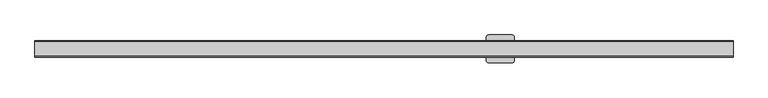
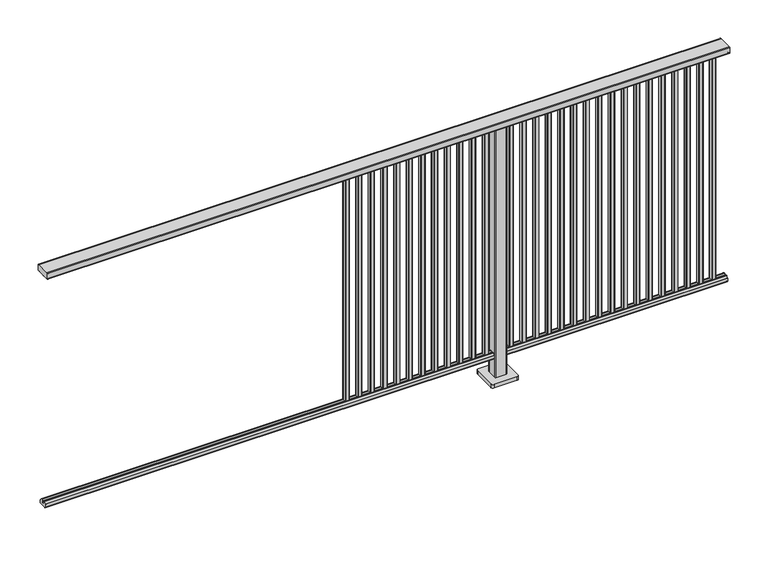
"""IFC4 building model written with IfcOpenShell, lengths in millimetres: railing geometry."""

from ifc_helpers import new_model, si_unit, point, frame, frame_2d, origin, origin_with_axes, place, context, project, spatial, polyline, circle_curve, trimmed, segment, composite_curve, outline, extrude, source, transform, mapped, element, save


def railing_90d70f90(model_context):
    return source(origin(), model_context, "Body", "SweptSolid", [
        extrude(outline(composite_curve([segment(trimmed(circle_curve(frame_2d((9717.8460333, 1197.0)), 3.0), [point((9717.8460333, 1200.0))], [point((9720.8460333, 1197.0))], False, "CARTESIAN"), True, "CONTINUOUS"), segment(polyline([(9720.8460333, 1197.0), (9720.8460333, 1174.8)]), True, "CONTINUOUS"), segment(trimmed(circle_curve(frame_2d((9717.8460333, 1174.8)), 3.0), [point((9720.8460333, 1174.8))], [point((9717.8460333, 1171.8))], False, "CARTESIAN"), True, "CONTINUOUS"), segment(polyline([(9717.8460333, 1171.8), (9712.9961193, 1171.8)]), True, "CONTINUOUS"), segment(trimmed(circle_curve(frame_2d((9712.9961193, 1172.7286632)), 0.9286632), [point((9712.9961193, 1171.8))], [point((9712.0960471, 1172.5000033))], False, "CARTESIAN"), True, "CONTINUOUS"), segment(trimmed(circle_curve(frame_2d((9711.5960471, 1172.5000003)), 0.5), [point((9712.0960471, 1172.5000033))], [point((9711.5960471, 1172.0000003))], False, "CARTESIAN"), True, "CONTINUOUS"), segment(polyline([(9711.5960471, 1172.0000003), (9694.5751393, 1172.0000003)]), True, "CONTINUOUS"), segment(trimmed(circle_curve(frame_2d((9685.8508208, 1188.8785723)), 18.999998), [point((9694.5751393, 1172.0000003))], [point((9677.1265024, 1172.0000003))], False, "CARTESIAN"), True, "CONTINUOUS"), segment(polyline([(9677.1265024, 1172.0000003), (9660.0960436, 1172.0000003)]), True, "CONTINUOUS"), segment(trimmed(circle_curve(frame_2d((9660.0960436, 1172.5000003)), 0.5), [point((9660.0960436, 1172.0000003))], [point((9659.5960436, 1172.5000033))], False, "CARTESIAN"), True, "CONTINUOUS"), segment(trimmed(circle_curve(frame_2d((9658.6961402, 1172.7284461)), 0.9284461), [point((9659.5960436, 1172.5000033))], [point((9658.6961402, 1171.8))], False, "CARTESIAN"), True, "CONTINUOUS"), segment(polyline([(9658.6961402, 1171.8), (9653.8460333, 1171.8)]), True, "CONTINUOUS"), segment(trimmed(circle_curve(frame_2d((9653.8460333, 1174.8)), 3.0), [point((9653.8460333, 1171.8))], [point((9650.8460333, 1174.8))], False, "CARTESIAN"), True, "CONTINUOUS"), segment(polyline([(9650.8460333, 1174.8), (9650.8460333, 1197.0)]), True, "CONTINUOUS"), segment(trimmed(circle_curve(frame_2d((9653.8460333, 1197.0)), 3.0), [point((9650.8460333, 1197.0))], [point((9653.8460333, 1200.0))], False, "CARTESIAN"), True, "CONTINUOUS"), segment(polyline([(9653.8460333, 1200.0), (9717.8460333, 1200.0)]), True, "CONTINUOUS")], self_intersect=False)), frame((3731.3946925, 0.0, 0.0), z_axis=(1.0, 0.0, 0.0), x_axis=(0.0, 1.0, 0.0)), (0.0, 0.0, 1.0), 3000.0),
        extrude(outline(composite_curve([segment(polyline([(9701.5508136, 100.0), (9670.1507946, 100.0)]), True, "CONTINUOUS"), segment(trimmed(circle_curve(frame_2d((9670.1507946, 101.8)), 1.8), [point((9670.1507946, 100.0))], [point((9668.3507946, 101.8))], False, "CARTESIAN"), True, "CONTINUOUS"), segment(polyline([(9668.3507946, 101.8), (9668.3507946, 115.5269955)]), True, "CONTINUOUS"), segment(trimmed(circle_curve(frame_2d((9670.1507946, 115.5269955)), 1.8), [point((9668.3507946, 115.5269955))], [point((9668.7923399, 116.7079277))], False, "CARTESIAN"), True, "CONTINUOUS"), segment(polyline([(9668.7923399, 116.7079277), (9675.4626384, 124.3809322)]), True, "CONTINUOUS"), segment(trimmed(circle_curve(frame_2d((9676.8210931, 123.2)), 1.8), [point((9675.4626384, 124.3809322))], [point((9676.8210931, 125.0))], False, "CARTESIAN"), True, "CONTINUOUS"), segment(polyline([(9676.8210931, 125.0), (9680.5111113, 125.0), (9681.809143, 113.0), (9689.8924411, 113.0), (9691.1904978, 125.0), (9694.88054, 125.0)]), True, "CONTINUOUS"), segment(trimmed(circle_curve(frame_2d((9694.88054, 123.2)), 1.8), [point((9694.88054, 125.0))], [point((9696.2389969, 124.3809297))], False, "CARTESIAN"), True, "CONTINUOUS"), segment(polyline([(9696.2389969, 124.3809297), (9702.9092704, 116.7079252)]), True, "CONTINUOUS"), segment(trimmed(circle_curve(frame_2d((9701.5508136, 115.5269955)), 1.8), [point((9702.9092704, 116.7079252))], [point((9703.3508136, 115.5269955))], False, "CARTESIAN"), True, "CONTINUOUS"), segment(polyline([(9703.3508136, 115.5269955), (9703.3508136, 101.8)]), True, "CONTINUOUS"), segment(trimmed(circle_curve(frame_2d((9701.5508136, 101.8)), 1.8), [point((9703.3508136, 101.8))], [point((9701.5508136, 100.0))], False, "CARTESIAN"), True, "CONTINUOUS")], self_intersect=False)), frame((3731.3946925, 0.0, 0.0), z_axis=(1.0, 0.0, 0.0), x_axis=(0.0, 1.0, 0.0)), (0.0, 0.0, 1.0), 3000.0),
        extrude(outline(composite_curve([segment(trimmed(circle_curve(frame_2d((6668.2391355, 9693.4508236)), 1.4), [point((6666.8391355, 9693.4508236))], [point((6668.2391355, 9694.8508236))], False, "CARTESIAN"), True, "CONTINUOUS"), segment(polyline([(6668.2391355, 9694.8508236), (6683.4391385, 9694.8508236)]), True, "CONTINUOUS"), segment(trimmed(circle_curve(frame_2d((6683.4391385, 9693.4508236)), 1.4), [point((6683.4391385, 9694.8508236))], [point((6684.8391385, 9693.4508236))], False, "CARTESIAN"), True, "CONTINUOUS"), segment(polyline([(6684.8391385, 9693.4508236), (6684.8391385, 9678.2507846)]), True, "CONTINUOUS"), segment(trimmed(circle_curve(frame_2d((6683.4391385, 9678.2507846)), 1.4), [point((6684.8391385, 9678.2507846))], [point((6683.4391385, 9676.8507846))], False, "CARTESIAN"), True, "CONTINUOUS"), segment(polyline([(6683.4391385, 9676.8507846), (6668.2391355, 9676.8507846)]), True, "CONTINUOUS"), segment(trimmed(circle_curve(frame_2d((6668.2391355, 9678.2507846)), 1.4), [point((6668.2391355, 9676.8507846))], [point((6666.8391355, 9678.2507846))], False, "CARTESIAN"), True, "CONTINUOUS"), segment(polyline([(6666.8391355, 9678.2507846), (6666.8391355, 9693.4508236)]), True, "CONTINUOUS")], self_intersect=False)), frame((0.0, 0.0, 125.0), z_axis=(0.0, 0.0, 1.0), x_axis=(1.0, 0.0, 0.0)), (0.0, 0.0, 1.0), 1044.8785743),
        extrude(outline(composite_curve([segment(trimmed(circle_curve(frame_2d((6612.6835799, 9693.4508236)), 1.4), [point((6611.2835799, 9693.4508236))], [point((6612.6835799, 9694.8508236))], False, "CARTESIAN"), True, "CONTINUOUS"), segment(polyline([(6612.6835799, 9694.8508236), (6627.8835829, 9694.8508236)]), True, "CONTINUOUS"), segment(trimmed(circle_curve(frame_2d((6627.8835829, 9693.4508236)), 1.4), [point((6627.8835829, 9694.8508236))], [point((6629.2835829, 9693.4508236))], False, "CARTESIAN"), True, "CONTINUOUS"), segment(polyline([(6629.2835829, 9693.4508236), (6629.2835829, 9678.2507846)]), True, "CONTINUOUS"), segment(trimmed(circle_curve(frame_2d((6627.8835829, 9678.2507846)), 1.4), [point((6629.2835829, 9678.2507846))], [point((6627.8835829, 9676.8507846))], False, "CARTESIAN"), True, "CONTINUOUS"), segment(polyline([(6627.8835829, 9676.8507846), (6612.6835799, 9676.8507846)]), True, "CONTINUOUS"), segment(trimmed(circle_curve(frame_2d((6612.6835799, 9678.2507846)), 1.4), [point((6612.6835799, 9676.8507846))], [point((6611.2835799, 9678.2507846))], False, "CARTESIAN"), True, "CONTINUOUS"), segment(polyline([(6611.2835799, 9678.2507846), (6611.2835799, 9693.4508236)]), True, "CONTINUOUS")], self_intersect=False)), frame((0.0, 0.0, 125.0), z_axis=(0.0, 0.0, 1.0), x_axis=(1.0, 0.0, 0.0)), (0.0, 0.0, 1.0), 1044.8785743),
        extrude(outline(composite_curve([segment(trimmed(circle_curve(frame_2d((6557.1280244, 9693.4508236)), 1.4), [point((6555.7280244, 9693.4508236))], [point((6557.1280244, 9694.8508236))], False, "CARTESIAN"), True, "CONTINUOUS"), segment(polyline([(6557.1280244, 9694.8508236), (6572.3280274, 9694.8508236)]), True, "CONTINUOUS"), segment(trimmed(circle_curve(frame_2d((6572.3280274, 9693.4508236)), 1.4), [point((6572.3280274, 9694.8508236))], [point((6573.7280274, 9693.4508236))], False, "CARTESIAN"), True, "CONTINUOUS"), segment(polyline([(6573.7280274, 9693.4508236), (6573.7280274, 9678.2507846)]), True, "CONTINUOUS"), segment(trimmed(circle_curve(frame_2d((6572.3280274, 9678.2507846)), 1.4), [point((6573.7280274, 9678.2507846))], [point((6572.3280274, 9676.8507846))], False, "CARTESIAN"), True, "CONTINUOUS"), segment(polyline([(6572.3280274, 9676.8507846), (6557.1280244, 9676.8507846)]), True, "CONTINUOUS"), segment(trimmed(circle_curve(frame_2d((6557.1280244, 9678.2507846)), 1.4), [point((6557.1280244, 9676.8507846))], [point((6555.7280244, 9678.2507846))], False, "CARTESIAN"), True, "CONTINUOUS"), segment(polyline([(6555.7280244, 9678.2507846), (6555.7280244, 9693.4508236)]), True, "CONTINUOUS")], self_intersect=False)), frame((0.0, 0.0, 125.0), z_axis=(0.0, 0.0, 1.0), x_axis=(1.0, 0.0, 0.0)), (0.0, 0.0, 1.0), 1044.8785743),
        extrude(outline(composite_curve([segment(trimmed(circle_curve(frame_2d((6501.5724688, 9693.4508236)), 1.4), [point((6500.1724688, 9693.4508236))], [point((6501.5724688, 9694.8508236))], False, "CARTESIAN"), True, "CONTINUOUS"), segment(polyline([(6501.5724688, 9694.8508236), (6516.7724718, 9694.8508236)]), True, "CONTINUOUS"), segment(trimmed(circle_curve(frame_2d((6516.7724718, 9693.4508236)), 1.4), [point((6516.7724718, 9694.8508236))], [point((6518.1724718, 9693.4508236))], False, "CARTESIAN"), True, "CONTINUOUS"), segment(polyline([(6518.1724718, 9693.4508236), (6518.1724718, 9678.2507846)]), True, "CONTINUOUS"), segment(trimmed(circle_curve(frame_2d((6516.7724718, 9678.2507846)), 1.4), [point((6518.1724718, 9678.2507846))], [point((6516.7724718, 9676.8507846))], False, "CARTESIAN"), True, "CONTINUOUS"), segment(polyline([(6516.7724718, 9676.8507846), (6501.5724688, 9676.8507846)]), True, "CONTINUOUS"), segment(trimmed(circle_curve(frame_2d((6501.5724688, 9678.2507846)), 1.4), [point((6501.5724688, 9676.8507846))], [point((6500.1724688, 9678.2507846))], False, "CARTESIAN"), True, "CONTINUOUS"), segment(polyline([(6500.1724688, 9678.2507846), (6500.1724688, 9693.4508236)]), True, "CONTINUOUS")], self_intersect=False)), frame((0.0, 0.0, 125.0), z_axis=(0.0, 0.0, 1.0), x_axis=(1.0, 0.0, 0.0)), (0.0, 0.0, 1.0), 1044.8785743),
        extrude(outline(composite_curve([segment(trimmed(circle_curve(frame_2d((6446.0169133, 9693.4508236)), 1.4), [point((6444.6169133, 9693.4508236))], [point((6446.0169133, 9694.8508236))], False, "CARTESIAN"), True, "CONTINUOUS"), segment(polyline([(6446.0169133, 9694.8508236), (6461.2169163, 9694.8508236)]), True, "CONTINUOUS"), segment(trimmed(circle_curve(frame_2d((6461.2169163, 9693.4508236)), 1.4), [point((6461.2169163, 9694.8508236))], [point((6462.6169163, 9693.4508236))], False, "CARTESIAN"), True, "CONTINUOUS"), segment(polyline([(6462.6169163, 9693.4508236), (6462.6169163, 9678.2507846)]), True, "CONTINUOUS"), segment(trimmed(circle_curve(frame_2d((6461.2169163, 9678.2507846)), 1.4), [point((6462.6169163, 9678.2507846))], [point((6461.2169163, 9676.8507846))], False, "CARTESIAN"), True, "CONTINUOUS"), segment(polyline([(6461.2169163, 9676.8507846), (6446.0169133, 9676.8507846)]), True, "CONTINUOUS"), segment(trimmed(circle_curve(frame_2d((6446.0169133, 9678.2507846)), 1.4), [point((6446.0169133, 9676.8507846))], [point((6444.6169133, 9678.2507846))], False, "CARTESIAN"), True, "CONTINUOUS"), segment(polyline([(6444.6169133, 9678.2507846), (6444.6169133, 9693.4508236)]), True, "CONTINUOUS")], self_intersect=False)), frame((0.0, 0.0, 125.0), z_axis=(0.0, 0.0, 1.0), x_axis=(1.0, 0.0, 0.0)), (0.0, 0.0, 1.0), 1044.8785743),
        extrude(outline(composite_curve([segment(trimmed(circle_curve(frame_2d((6390.4613577, 9693.4508236)), 1.4), [point((6389.0613577, 9693.4508236))], [point((6390.4613577, 9694.8508236))], False, "CARTESIAN"), True, "CONTINUOUS"), segment(polyline([(6390.4613577, 9694.8508236), (6405.6613607, 9694.8508236)]), True, "CONTINUOUS"), segment(trimmed(circle_curve(frame_2d((6405.6613607, 9693.4508236)), 1.4), [point((6405.6613607, 9694.8508236))], [point((6407.0613607, 9693.4508236))], False, "CARTESIAN"), True, "CONTINUOUS"), segment(polyline([(6407.0613607, 9693.4508236), (6407.0613607, 9678.2507846)]), True, "CONTINUOUS"), segment(trimmed(circle_curve(frame_2d((6405.6613607, 9678.2507846)), 1.4), [point((6407.0613607, 9678.2507846))], [point((6405.6613607, 9676.8507846))], False, "CARTESIAN"), True, "CONTINUOUS"), segment(polyline([(6405.6613607, 9676.8507846), (6390.4613577, 9676.8507846)]), True, "CONTINUOUS"), segment(trimmed(circle_curve(frame_2d((6390.4613577, 9678.2507846)), 1.4), [point((6390.4613577, 9676.8507846))], [point((6389.0613577, 9678.2507846))], False, "CARTESIAN"), True, "CONTINUOUS"), segment(polyline([(6389.0613577, 9678.2507846), (6389.0613577, 9693.4508236)]), True, "CONTINUOUS")], self_intersect=False)), frame((0.0, 0.0, 125.0), z_axis=(0.0, 0.0, 1.0), x_axis=(1.0, 0.0, 0.0)), (0.0, 0.0, 1.0), 1044.8785743),
        extrude(outline(composite_curve([segment(trimmed(circle_curve(frame_2d((6334.9058021, 9693.4508236)), 1.4), [point((6333.5058021, 9693.4508236))], [point((6334.9058021, 9694.8508236))], False, "CARTESIAN"), True, "CONTINUOUS"), segment(polyline([(6334.9058021, 9694.8508236), (6350.1058051, 9694.8508236)]), True, "CONTINUOUS"), segment(trimmed(circle_curve(frame_2d((6350.1058051, 9693.4508236)), 1.4), [point((6350.1058051, 9694.8508236))], [point((6351.5058051, 9693.4508236))], False, "CARTESIAN"), True, "CONTINUOUS"), segment(polyline([(6351.5058051, 9693.4508236), (6351.5058051, 9678.2507846)]), True, "CONTINUOUS"), segment(trimmed(circle_curve(frame_2d((6350.1058051, 9678.2507846)), 1.4), [point((6351.5058051, 9678.2507846))], [point((6350.1058051, 9676.8507846))], False, "CARTESIAN"), True, "CONTINUOUS"), segment(polyline([(6350.1058051, 9676.8507846), (6334.9058021, 9676.8507846)]), True, "CONTINUOUS"), segment(trimmed(circle_curve(frame_2d((6334.9058021, 9678.2507846)), 1.4), [point((6334.9058021, 9676.8507846))], [point((6333.5058021, 9678.2507846))], False, "CARTESIAN"), True, "CONTINUOUS"), segment(polyline([(6333.5058021, 9678.2507846), (6333.5058021, 9693.4508236)]), True, "CONTINUOUS")], self_intersect=False)), frame((0.0, 0.0, 125.0), z_axis=(0.0, 0.0, 1.0), x_axis=(1.0, 0.0, 0.0)), (0.0, 0.0, 1.0), 1044.8785743),
        extrude(outline(composite_curve([segment(trimmed(circle_curve(frame_2d((6279.3502466, 9693.4508236)), 1.4), [point((6277.9502466, 9693.4508236))], [point((6279.3502466, 9694.8508236))], False, "CARTESIAN"), True, "CONTINUOUS"), segment(polyline([(6279.3502466, 9694.8508236), (6294.5502496, 9694.8508236)]), True, "CONTINUOUS"), segment(trimmed(circle_curve(frame_2d((6294.5502496, 9693.4508236)), 1.4), [point((6294.5502496, 9694.8508236))], [point((6295.9502496, 9693.4508236))], False, "CARTESIAN"), True, "CONTINUOUS"), segment(polyline([(6295.9502496, 9693.4508236), (6295.9502496, 9678.2507846)]), True, "CONTINUOUS"), segment(trimmed(circle_curve(frame_2d((6294.5502496, 9678.2507846)), 1.4), [point((6295.9502496, 9678.2507846))], [point((6294.5502496, 9676.8507846))], False, "CARTESIAN"), True, "CONTINUOUS"), segment(polyline([(6294.5502496, 9676.8507846), (6279.3502466, 9676.8507846)]), True, "CONTINUOUS"), segment(trimmed(circle_curve(frame_2d((6279.3502466, 9678.2507846)), 1.4), [point((6279.3502466, 9676.8507846))], [point((6277.9502466, 9678.2507846))], False, "CARTESIAN"), True, "CONTINUOUS"), segment(polyline([(6277.9502466, 9678.2507846), (6277.9502466, 9693.4508236)]), True, "CONTINUOUS")], self_intersect=False)), frame((0.0, 0.0, 125.0), z_axis=(0.0, 0.0, 1.0), x_axis=(1.0, 0.0, 0.0)), (0.0, 0.0, 1.0), 1044.8785743),
        extrude(outline(composite_curve([segment(trimmed(circle_curve(frame_2d((6223.794691, 9693.4508236)), 1.4), [point((6222.394691, 9693.4508236))], [point((6223.794691, 9694.8508236))], False, "CARTESIAN"), True, "CONTINUOUS"), segment(polyline([(6223.794691, 9694.8508236), (6238.994694, 9694.8508236)]), True, "CONTINUOUS"), segment(trimmed(circle_curve(frame_2d((6238.994694, 9693.4508236)), 1.4), [point((6238.994694, 9694.8508236))], [point((6240.394694, 9693.4508236))], False, "CARTESIAN"), True, "CONTINUOUS"), segment(polyline([(6240.394694, 9693.4508236), (6240.394694, 9678.2507846)]), True, "CONTINUOUS"), segment(trimmed(circle_curve(frame_2d((6238.994694, 9678.2507846)), 1.4), [point((6240.394694, 9678.2507846))], [point((6238.994694, 9676.8507846))], False, "CARTESIAN"), True, "CONTINUOUS"), segment(polyline([(6238.994694, 9676.8507846), (6223.794691, 9676.8507846)]), True, "CONTINUOUS"), segment(trimmed(circle_curve(frame_2d((6223.794691, 9678.2507846)), 1.4), [point((6223.794691, 9676.8507846))], [point((6222.394691, 9678.2507846))], False, "CARTESIAN"), True, "CONTINUOUS"), segment(polyline([(6222.394691, 9678.2507846), (6222.394691, 9693.4508236)]), True, "CONTINUOUS")], self_intersect=False)), frame((0.0, 0.0, 125.0), z_axis=(0.0, 0.0, 1.0), x_axis=(1.0, 0.0, 0.0)), (0.0, 0.0, 1.0), 1044.8785743),
        extrude(outline(composite_curve([segment(trimmed(circle_curve(frame_2d((6168.2391355, 9693.4508236)), 1.4), [point((6166.8391355, 9693.4508236))], [point((6168.2391355, 9694.8508236))], False, "CARTESIAN"), True, "CONTINUOUS"), segment(polyline([(6168.2391355, 9694.8508236), (6183.4391385, 9694.8508236)]), True, "CONTINUOUS"), segment(trimmed(circle_curve(frame_2d((6183.4391385, 9693.4508236)), 1.4), [point((6183.4391385, 9694.8508236))], [point((6184.8391385, 9693.4508236))], False, "CARTESIAN"), True, "CONTINUOUS"), segment(polyline([(6184.8391385, 9693.4508236), (6184.8391385, 9678.2507846)]), True, "CONTINUOUS"), segment(trimmed(circle_curve(frame_2d((6183.4391385, 9678.2507846)), 1.4), [point((6184.8391385, 9678.2507846))], [point((6183.4391385, 9676.8507846))], False, "CARTESIAN"), True, "CONTINUOUS"), segment(polyline([(6183.4391385, 9676.8507846), (6168.2391355, 9676.8507846)]), True, "CONTINUOUS"), segment(trimmed(circle_curve(frame_2d((6168.2391355, 9678.2507846)), 1.4), [point((6168.2391355, 9676.8507846))], [point((6166.8391355, 9678.2507846))], False, "CARTESIAN"), True, "CONTINUOUS"), segment(polyline([(6166.8391355, 9678.2507846), (6166.8391355, 9693.4508236)]), True, "CONTINUOUS")], self_intersect=False)), frame((0.0, 0.0, 125.0), z_axis=(0.0, 0.0, 1.0), x_axis=(1.0, 0.0, 0.0)), (0.0, 0.0, 1.0), 1044.8785743),
        extrude(outline(composite_curve([segment(trimmed(circle_curve(frame_2d((6112.6835799, 9693.4508236)), 1.4), [point((6111.2835799, 9693.4508236))], [point((6112.6835799, 9694.8508236))], False, "CARTESIAN"), True, "CONTINUOUS"), segment(polyline([(6112.6835799, 9694.8508236), (6127.8835829, 9694.8508236)]), True, "CONTINUOUS"), segment(trimmed(circle_curve(frame_2d((6127.8835829, 9693.4508236)), 1.4), [point((6127.8835829, 9694.8508236))], [point((6129.2835829, 9693.4508236))], False, "CARTESIAN"), True, "CONTINUOUS"), segment(polyline([(6129.2835829, 9693.4508236), (6129.2835829, 9678.2507846)]), True, "CONTINUOUS"), segment(trimmed(circle_curve(frame_2d((6127.8835829, 9678.2507846)), 1.4), [point((6129.2835829, 9678.2507846))], [point((6127.8835829, 9676.8507846))], False, "CARTESIAN"), True, "CONTINUOUS"), segment(polyline([(6127.8835829, 9676.8507846), (6112.6835799, 9676.8507846)]), True, "CONTINUOUS"), segment(trimmed(circle_curve(frame_2d((6112.6835799, 9678.2507846)), 1.4), [point((6112.6835799, 9676.8507846))], [point((6111.2835799, 9678.2507846))], False, "CARTESIAN"), True, "CONTINUOUS"), segment(polyline([(6111.2835799, 9678.2507846), (6111.2835799, 9693.4508236)]), True, "CONTINUOUS")], self_intersect=False)), frame((0.0, 0.0, 125.0), z_axis=(0.0, 0.0, 1.0), x_axis=(1.0, 0.0, 0.0)), (0.0, 0.0, 1.0), 1044.8785743),
        extrude(outline(composite_curve([segment(trimmed(circle_curve(frame_2d((6057.1280244, 9693.4508236)), 1.4), [point((6055.7280244, 9693.4508236))], [point((6057.1280244, 9694.8508236))], False, "CARTESIAN"), True, "CONTINUOUS"), segment(polyline([(6057.1280244, 9694.8508236), (6072.3280274, 9694.8508236)]), True, "CONTINUOUS"), segment(trimmed(circle_curve(frame_2d((6072.3280274, 9693.4508236)), 1.4), [point((6072.3280274, 9694.8508236))], [point((6073.7280274, 9693.4508236))], False, "CARTESIAN"), True, "CONTINUOUS"), segment(polyline([(6073.7280274, 9693.4508236), (6073.7280274, 9678.2507846)]), True, "CONTINUOUS"), segment(trimmed(circle_curve(frame_2d((6072.3280274, 9678.2507846)), 1.4), [point((6073.7280274, 9678.2507846))], [point((6072.3280274, 9676.8507846))], False, "CARTESIAN"), True, "CONTINUOUS"), segment(polyline([(6072.3280274, 9676.8507846), (6057.1280244, 9676.8507846)]), True, "CONTINUOUS"), segment(trimmed(circle_curve(frame_2d((6057.1280244, 9678.2507846)), 1.4), [point((6057.1280244, 9676.8507846))], [point((6055.7280244, 9678.2507846))], False, "CARTESIAN"), True, "CONTINUOUS"), segment(polyline([(6055.7280244, 9678.2507846), (6055.7280244, 9693.4508236)]), True, "CONTINUOUS")], self_intersect=False)), frame((0.0, 0.0, 125.0), z_axis=(0.0, 0.0, 1.0), x_axis=(1.0, 0.0, 0.0)), (0.0, 0.0, 1.0), 1044.8785743),
        extrude(outline(composite_curve([segment(trimmed(circle_curve(frame_2d((6001.5724688, 9693.4508236)), 1.4), [point((6000.1724688, 9693.4508236))], [point((6001.5724688, 9694.8508236))], False, "CARTESIAN"), True, "CONTINUOUS"), segment(polyline([(6001.5724688, 9694.8508236), (6016.7724718, 9694.8508236)]), True, "CONTINUOUS"), segment(trimmed(circle_curve(frame_2d((6016.7724718, 9693.4508236)), 1.4), [point((6016.7724718, 9694.8508236))], [point((6018.1724718, 9693.4508236))], False, "CARTESIAN"), True, "CONTINUOUS"), segment(polyline([(6018.1724718, 9693.4508236), (6018.1724718, 9678.2507846)]), True, "CONTINUOUS"), segment(trimmed(circle_curve(frame_2d((6016.7724718, 9678.2507846)), 1.4), [point((6018.1724718, 9678.2507846))], [point((6016.7724718, 9676.8507846))], False, "CARTESIAN"), True, "CONTINUOUS"), segment(polyline([(6016.7724718, 9676.8507846), (6001.5724688, 9676.8507846)]), True, "CONTINUOUS"), segment(trimmed(circle_curve(frame_2d((6001.5724688, 9678.2507846)), 1.4), [point((6001.5724688, 9676.8507846))], [point((6000.1724688, 9678.2507846))], False, "CARTESIAN"), True, "CONTINUOUS"), segment(polyline([(6000.1724688, 9678.2507846), (6000.1724688, 9693.4508236)]), True, "CONTINUOUS")], self_intersect=False)), frame((0.0, 0.0, 125.0), z_axis=(0.0, 0.0, 1.0), x_axis=(1.0, 0.0, 0.0)), (0.0, 0.0, 1.0), 1044.8785743),
        extrude(outline(composite_curve([segment(trimmed(circle_curve(frame_2d((5946.0169133, 9693.4508236)), 1.4), [point((5944.6169133, 9693.4508236))], [point((5946.0169133, 9694.8508236))], False, "CARTESIAN"), True, "CONTINUOUS"), segment(polyline([(5946.0169133, 9694.8508236), (5961.2169163, 9694.8508236)]), True, "CONTINUOUS"), segment(trimmed(circle_curve(frame_2d((5961.2169163, 9693.4508236)), 1.4), [point((5961.2169163, 9694.8508236))], [point((5962.6169163, 9693.4508236))], False, "CARTESIAN"), True, "CONTINUOUS"), segment(polyline([(5962.6169163, 9693.4508236), (5962.6169163, 9678.2507846)]), True, "CONTINUOUS"), segment(trimmed(circle_curve(frame_2d((5961.2169163, 9678.2507846)), 1.4), [point((5962.6169163, 9678.2507846))], [point((5961.2169163, 9676.8507846))], False, "CARTESIAN"), True, "CONTINUOUS"), segment(polyline([(5961.2169163, 9676.8507846), (5946.0169133, 9676.8507846)]), True, "CONTINUOUS"), segment(trimmed(circle_curve(frame_2d((5946.0169133, 9678.2507846)), 1.4), [point((5946.0169133, 9676.8507846))], [point((5944.6169133, 9678.2507846))], False, "CARTESIAN"), True, "CONTINUOUS"), segment(polyline([(5944.6169133, 9678.2507846), (5944.6169133, 9693.4508236)]), True, "CONTINUOUS")], self_intersect=False)), frame((0.0, 0.0, 125.0), z_axis=(0.0, 0.0, 1.0), x_axis=(1.0, 0.0, 0.0)), (0.0, 0.0, 1.0), 1044.8785743),
        extrude(outline(composite_curve([segment(trimmed(circle_curve(frame_2d((5890.4613577, 9693.4508236)), 1.4), [point((5889.0613577, 9693.4508236))], [point((5890.4613577, 9694.8508236))], False, "CARTESIAN"), True, "CONTINUOUS"), segment(polyline([(5890.4613577, 9694.8508236), (5905.6613607, 9694.8508236)]), True, "CONTINUOUS"), segment(trimmed(circle_curve(frame_2d((5905.6613607, 9693.4508236)), 1.4), [point((5905.6613607, 9694.8508236))], [point((5907.0613607, 9693.4508236))], False, "CARTESIAN"), True, "CONTINUOUS"), segment(polyline([(5907.0613607, 9693.4508236), (5907.0613607, 9678.2507846)]), True, "CONTINUOUS"), segment(trimmed(circle_curve(frame_2d((5905.6613607, 9678.2507846)), 1.4), [point((5907.0613607, 9678.2507846))], [point((5905.6613607, 9676.8507846))], False, "CARTESIAN"), True, "CONTINUOUS"), segment(polyline([(5905.6613607, 9676.8507846), (5890.4613577, 9676.8507846)]), True, "CONTINUOUS"), segment(trimmed(circle_curve(frame_2d((5890.4613577, 9678.2507846)), 1.4), [point((5890.4613577, 9676.8507846))], [point((5889.0613577, 9678.2507846))], False, "CARTESIAN"), True, "CONTINUOUS"), segment(polyline([(5889.0613577, 9678.2507846), (5889.0613577, 9693.4508236)]), True, "CONTINUOUS")], self_intersect=False)), frame((0.0, 0.0, 125.0), z_axis=(0.0, 0.0, 1.0), x_axis=(1.0, 0.0, 0.0)), (0.0, 0.0, 1.0), 1044.8785743),
        extrude(outline(composite_curve([segment(trimmed(circle_curve(frame_2d((5834.9058021, 9693.4508236)), 1.4), [point((5833.5058021, 9693.4508236))], [point((5834.9058021, 9694.8508236))], False, "CARTESIAN"), True, "CONTINUOUS"), segment(polyline([(5834.9058021, 9694.8508236), (5850.1058051, 9694.8508236)]), True, "CONTINUOUS"), segment(trimmed(circle_curve(frame_2d((5850.1058051, 9693.4508236)), 1.4), [point((5850.1058051, 9694.8508236))], [point((5851.5058051, 9693.4508236))], False, "CARTESIAN"), True, "CONTINUOUS"), segment(polyline([(5851.5058051, 9693.4508236), (5851.5058051, 9678.2507846)]), True, "CONTINUOUS"), segment(trimmed(circle_curve(frame_2d((5850.1058051, 9678.2507846)), 1.4), [point((5851.5058051, 9678.2507846))], [point((5850.1058051, 9676.8507846))], False, "CARTESIAN"), True, "CONTINUOUS"), segment(polyline([(5850.1058051, 9676.8507846), (5834.9058021, 9676.8507846)]), True, "CONTINUOUS"), segment(trimmed(circle_curve(frame_2d((5834.9058021, 9678.2507846)), 1.4), [point((5834.9058021, 9676.8507846))], [point((5833.5058021, 9678.2507846))], False, "CARTESIAN"), True, "CONTINUOUS"), segment(polyline([(5833.5058021, 9678.2507846), (5833.5058021, 9693.4508236)]), True, "CONTINUOUS")], self_intersect=False)), frame((0.0, 0.0, 125.0), z_axis=(0.0, 0.0, 1.0), x_axis=(1.0, 0.0, 0.0)), (0.0, 0.0, 1.0), 1044.8785743),
        extrude(outline(composite_curve([segment(trimmed(circle_curve(frame_2d((5779.3502466, 9693.4508236)), 1.4), [point((5777.9502466, 9693.4508236))], [point((5779.3502466, 9694.8508236))], False, "CARTESIAN"), True, "CONTINUOUS"), segment(polyline([(5779.3502466, 9694.8508236), (5794.5502496, 9694.8508236)]), True, "CONTINUOUS"), segment(trimmed(circle_curve(frame_2d((5794.5502496, 9693.4508236)), 1.4), [point((5794.5502496, 9694.8508236))], [point((5795.9502496, 9693.4508236))], False, "CARTESIAN"), True, "CONTINUOUS"), segment(polyline([(5795.9502496, 9693.4508236), (5795.9502496, 9678.2507846)]), True, "CONTINUOUS"), segment(trimmed(circle_curve(frame_2d((5794.5502496, 9678.2507846)), 1.4), [point((5795.9502496, 9678.2507846))], [point((5794.5502496, 9676.8507846))], False, "CARTESIAN"), True, "CONTINUOUS"), segment(polyline([(5794.5502496, 9676.8507846), (5779.3502466, 9676.8507846)]), True, "CONTINUOUS"), segment(trimmed(circle_curve(frame_2d((5779.3502466, 9678.2507846)), 1.4), [point((5779.3502466, 9676.8507846))], [point((5777.9502466, 9678.2507846))], False, "CARTESIAN"), True, "CONTINUOUS"), segment(polyline([(5777.9502466, 9678.2507846), (5777.9502466, 9693.4508236)]), True, "CONTINUOUS")], self_intersect=False)), frame((0.0, 0.0, 125.0), z_axis=(0.0, 0.0, 1.0), x_axis=(1.0, 0.0, 0.0)), (0.0, 0.0, 1.0), 1044.8785743),
        extrude(outline(composite_curve([segment(trimmed(circle_curve(frame_2d((5708.994681, 9708.2508266)), 3.0), [point((5705.994681, 9708.2508266))], [point((5708.994681, 9711.2508266))], False, "CARTESIAN"), True, "CONTINUOUS"), segment(polyline([(5708.994681, 9711.2508266), (5753.794704, 9711.2508266)]), True, "CONTINUOUS"), segment(trimmed(circle_curve(frame_2d((5753.794704, 9708.2508266)), 3.0), [point((5753.794704, 9711.2508266))], [point((5756.794704, 9708.2508266))], False, "CARTESIAN"), True, "CONTINUOUS"), segment(polyline([(5756.794704, 9708.2508266), (5756.794704, 9663.4508036)]), True, "CONTINUOUS"), segment(trimmed(circle_curve(frame_2d((5753.794704, 9663.4508036)), 3.0), [point((5756.794704, 9663.4508036))], [point((5753.794704, 9660.4508036))], False, "CARTESIAN"), True, "CONTINUOUS"), segment(polyline([(5753.794704, 9660.4508036), (5708.994681, 9660.4508036)]), True, "CONTINUOUS"), segment(trimmed(circle_curve(frame_2d((5708.994681, 9663.4508036)), 3.0), [point((5708.994681, 9660.4508036))], [point((5705.994681, 9663.4508036))], False, "CARTESIAN"), True, "CONTINUOUS"), segment(polyline([(5705.994681, 9663.4508036), (5705.994681, 9708.2508266)]), True, "CONTINUOUS")], self_intersect=False)), frame((0.0, 0.0, 16.0), z_axis=(0.0, 0.0, 1.0), x_axis=(1.0, 0.0, 0.0)), (0.0, 0.0, 1.0), 1153.8785743),
        extrude(outline(composite_curve([segment(trimmed(circle_curve(frame_2d((5681.394681, 9735.8508151)), 10.0), [point((5671.394681, 9735.8508151))], [point((5681.394681, 9745.8508151))], False, "CARTESIAN"), True, "CONTINUOUS"), segment(polyline([(5681.394681, 9745.8508151), (5781.394681, 9745.8508151)]), True, "CONTINUOUS"), segment(trimmed(circle_curve(frame_2d((5781.394681, 9735.8508151)), 10.0), [point((5781.394681, 9745.8508151))], [point((5791.394681, 9735.8508151))], False, "CARTESIAN"), True, "CONTINUOUS"), segment(polyline([(5791.394681, 9735.8508151), (5791.394681, 9635.8508151)]), True, "CONTINUOUS"), segment(trimmed(circle_curve(frame_2d((5781.394681, 9635.8508151)), 10.0), [point((5791.394681, 9635.8508151))], [point((5781.394681, 9625.8508151))], False, "CARTESIAN"), True, "CONTINUOUS"), segment(polyline([(5781.394681, 9625.8508151), (5681.394681, 9625.8508151)]), True, "CONTINUOUS"), segment(trimmed(circle_curve(frame_2d((5681.394681, 9635.8508151)), 10.0), [point((5681.394681, 9625.8508151))], [point((5671.394681, 9635.8508151))], False, "CARTESIAN"), True, "CONTINUOUS"), segment(polyline([(5671.394681, 9635.8508151), (5671.394681, 9735.8508151)]), True, "CONTINUOUS")], self_intersect=False)), origin_with_axes(), (0.0, 0.0, 1.0), 16.0),
        extrude(outline(composite_curve([segment(trimmed(circle_curve(frame_2d((5668.2391355, 9693.4508236)), 1.4), [point((5666.8391355, 9693.4508236))], [point((5668.2391355, 9694.8508236))], False, "CARTESIAN"), True, "CONTINUOUS"), segment(polyline([(5668.2391355, 9694.8508236), (5683.4391385, 9694.8508236)]), True, "CONTINUOUS"), segment(trimmed(circle_curve(frame_2d((5683.4391385, 9693.4508236)), 1.4), [point((5683.4391385, 9694.8508236))], [point((5684.8391385, 9693.4508236))], False, "CARTESIAN"), True, "CONTINUOUS"), segment(polyline([(5684.8391385, 9693.4508236), (5684.8391385, 9678.2507846)]), True, "CONTINUOUS"), segment(trimmed(circle_curve(frame_2d((5683.4391385, 9678.2507846)), 1.4), [point((5684.8391385, 9678.2507846))], [point((5683.4391385, 9676.8507846))], False, "CARTESIAN"), True, "CONTINUOUS"), segment(polyline([(5683.4391385, 9676.8507846), (5668.2391355, 9676.8507846)]), True, "CONTINUOUS"), segment(trimmed(circle_curve(frame_2d((5668.2391355, 9678.2507846)), 1.4), [point((5668.2391355, 9676.8507846))], [point((5666.8391355, 9678.2507846))], False, "CARTESIAN"), True, "CONTINUOUS"), segment(polyline([(5666.8391355, 9678.2507846), (5666.8391355, 9693.4508236)]), True, "CONTINUOUS")], self_intersect=False)), frame((0.0, 0.0, 125.0), z_axis=(0.0, 0.0, 1.0), x_axis=(1.0, 0.0, 0.0)), (0.0, 0.0, 1.0), 1044.8785743),
        extrude(outline(composite_curve([segment(trimmed(circle_curve(frame_2d((5612.6835799, 9693.4508236)), 1.4), [point((5611.2835799, 9693.4508236))], [point((5612.6835799, 9694.8508236))], False, "CARTESIAN"), True, "CONTINUOUS"), segment(polyline([(5612.6835799, 9694.8508236), (5627.8835829, 9694.8508236)]), True, "CONTINUOUS"), segment(trimmed(circle_curve(frame_2d((5627.8835829, 9693.4508236)), 1.4), [point((5627.8835829, 9694.8508236))], [point((5629.2835829, 9693.4508236))], False, "CARTESIAN"), True, "CONTINUOUS"), segment(polyline([(5629.2835829, 9693.4508236), (5629.2835829, 9678.2507846)]), True, "CONTINUOUS"), segment(trimmed(circle_curve(frame_2d((5627.8835829, 9678.2507846)), 1.4), [point((5629.2835829, 9678.2507846))], [point((5627.8835829, 9676.8507846))], False, "CARTESIAN"), True, "CONTINUOUS"), segment(polyline([(5627.8835829, 9676.8507846), (5612.6835799, 9676.8507846)]), True, "CONTINUOUS"), segment(trimmed(circle_curve(frame_2d((5612.6835799, 9678.2507846)), 1.4), [point((5612.6835799, 9676.8507846))], [point((5611.2835799, 9678.2507846))], False, "CARTESIAN"), True, "CONTINUOUS"), segment(polyline([(5611.2835799, 9678.2507846), (5611.2835799, 9693.4508236)]), True, "CONTINUOUS")], self_intersect=False)), frame((0.0, 0.0, 125.0), z_axis=(0.0, 0.0, 1.0), x_axis=(1.0, 0.0, 0.0)), (0.0, 0.0, 1.0), 1044.8785743),
        extrude(outline(composite_curve([segment(trimmed(circle_curve(frame_2d((5557.1280244, 9693.4508236)), 1.4), [point((5555.7280244, 9693.4508236))], [point((5557.1280244, 9694.8508236))], False, "CARTESIAN"), True, "CONTINUOUS"), segment(polyline([(5557.1280244, 9694.8508236), (5572.3280274, 9694.8508236)]), True, "CONTINUOUS"), segment(trimmed(circle_curve(frame_2d((5572.3280274, 9693.4508236)), 1.4), [point((5572.3280274, 9694.8508236))], [point((5573.7280274, 9693.4508236))], False, "CARTESIAN"), True, "CONTINUOUS"), segment(polyline([(5573.7280274, 9693.4508236), (5573.7280274, 9678.2507846)]), True, "CONTINUOUS"), segment(trimmed(circle_curve(frame_2d((5572.3280274, 9678.2507846)), 1.4), [point((5573.7280274, 9678.2507846))], [point((5572.3280274, 9676.8507846))], False, "CARTESIAN"), True, "CONTINUOUS"), segment(polyline([(5572.3280274, 9676.8507846), (5557.1280244, 9676.8507846)]), True, "CONTINUOUS"), segment(trimmed(circle_curve(frame_2d((5557.1280244, 9678.2507846)), 1.4), [point((5557.1280244, 9676.8507846))], [point((5555.7280244, 9678.2507846))], False, "CARTESIAN"), True, "CONTINUOUS"), segment(polyline([(5555.7280244, 9678.2507846), (5555.7280244, 9693.4508236)]), True, "CONTINUOUS")], self_intersect=False)), frame((0.0, 0.0, 125.0), z_axis=(0.0, 0.0, 1.0), x_axis=(1.0, 0.0, 0.0)), (0.0, 0.0, 1.0), 1044.8785743),
        extrude(outline(composite_curve([segment(trimmed(circle_curve(frame_2d((5501.5724688, 9693.4508236)), 1.4), [point((5500.1724688, 9693.4508236))], [point((5501.5724688, 9694.8508236))], False, "CARTESIAN"), True, "CONTINUOUS"), segment(polyline([(5501.5724688, 9694.8508236), (5516.7724718, 9694.8508236)]), True, "CONTINUOUS"), segment(trimmed(circle_curve(frame_2d((5516.7724718, 9693.4508236)), 1.4), [point((5516.7724718, 9694.8508236))], [point((5518.1724718, 9693.4508236))], False, "CARTESIAN"), True, "CONTINUOUS"), segment(polyline([(5518.1724718, 9693.4508236), (5518.1724718, 9678.2507846)]), True, "CONTINUOUS"), segment(trimmed(circle_curve(frame_2d((5516.7724718, 9678.2507846)), 1.4), [point((5518.1724718, 9678.2507846))], [point((5516.7724718, 9676.8507846))], False, "CARTESIAN"), True, "CONTINUOUS"), segment(polyline([(5516.7724718, 9676.8507846), (5501.5724688, 9676.8507846)]), True, "CONTINUOUS"), segment(trimmed(circle_curve(frame_2d((5501.5724688, 9678.2507846)), 1.4), [point((5501.5724688, 9676.8507846))], [point((5500.1724688, 9678.2507846))], False, "CARTESIAN"), True, "CONTINUOUS"), segment(polyline([(5500.1724688, 9678.2507846), (5500.1724688, 9693.4508236)]), True, "CONTINUOUS")], self_intersect=False)), frame((0.0, 0.0, 125.0), z_axis=(0.0, 0.0, 1.0), x_axis=(1.0, 0.0, 0.0)), (0.0, 0.0, 1.0), 1044.8785743),
        extrude(outline(composite_curve([segment(trimmed(circle_curve(frame_2d((5446.0169133, 9693.4508236)), 1.4), [point((5444.6169133, 9693.4508236))], [point((5446.0169133, 9694.8508236))], False, "CARTESIAN"), True, "CONTINUOUS"), segment(polyline([(5446.0169133, 9694.8508236), (5461.2169163, 9694.8508236)]), True, "CONTINUOUS"), segment(trimmed(circle_curve(frame_2d((5461.2169163, 9693.4508236)), 1.4), [point((5461.2169163, 9694.8508236))], [point((5462.6169163, 9693.4508236))], False, "CARTESIAN"), True, "CONTINUOUS"), segment(polyline([(5462.6169163, 9693.4508236), (5462.6169163, 9678.2507846)]), True, "CONTINUOUS"), segment(trimmed(circle_curve(frame_2d((5461.2169163, 9678.2507846)), 1.4), [point((5462.6169163, 9678.2507846))], [point((5461.2169163, 9676.8507846))], False, "CARTESIAN"), True, "CONTINUOUS"), segment(polyline([(5461.2169163, 9676.8507846), (5446.0169133, 9676.8507846)]), True, "CONTINUOUS"), segment(trimmed(circle_curve(frame_2d((5446.0169133, 9678.2507846)), 1.4), [point((5446.0169133, 9676.8507846))], [point((5444.6169133, 9678.2507846))], False, "CARTESIAN"), True, "CONTINUOUS"), segment(polyline([(5444.6169133, 9678.2507846), (5444.6169133, 9693.4508236)]), True, "CONTINUOUS")], self_intersect=False)), frame((0.0, 0.0, 125.0), z_axis=(0.0, 0.0, 1.0), x_axis=(1.0, 0.0, 0.0)), (0.0, 0.0, 1.0), 1044.8785743),
        extrude(outline(composite_curve([segment(trimmed(circle_curve(frame_2d((5390.4613577, 9693.4508236)), 1.4), [point((5389.0613577, 9693.4508236))], [point((5390.4613577, 9694.8508236))], False, "CARTESIAN"), True, "CONTINUOUS"), segment(polyline([(5390.4613577, 9694.8508236), (5405.6613607, 9694.8508236)]), True, "CONTINUOUS"), segment(trimmed(circle_curve(frame_2d((5405.6613607, 9693.4508236)), 1.4), [point((5405.6613607, 9694.8508236))], [point((5407.0613607, 9693.4508236))], False, "CARTESIAN"), True, "CONTINUOUS"), segment(polyline([(5407.0613607, 9693.4508236), (5407.0613607, 9678.2507846)]), True, "CONTINUOUS"), segment(trimmed(circle_curve(frame_2d((5405.6613607, 9678.2507846)), 1.4), [point((5407.0613607, 9678.2507846))], [point((5405.6613607, 9676.8507846))], False, "CARTESIAN"), True, "CONTINUOUS"), segment(polyline([(5405.6613607, 9676.8507846), (5390.4613577, 9676.8507846)]), True, "CONTINUOUS"), segment(trimmed(circle_curve(frame_2d((5390.4613577, 9678.2507846)), 1.4), [point((5390.4613577, 9676.8507846))], [point((5389.0613577, 9678.2507846))], False, "CARTESIAN"), True, "CONTINUOUS"), segment(polyline([(5389.0613577, 9678.2507846), (5389.0613577, 9693.4508236)]), True, "CONTINUOUS")], self_intersect=False)), frame((0.0, 0.0, 125.0), z_axis=(0.0, 0.0, 1.0), x_axis=(1.0, 0.0, 0.0)), (0.0, 0.0, 1.0), 1044.8785743),
        extrude(outline(composite_curve([segment(trimmed(circle_curve(frame_2d((5334.9058021, 9693.4508236)), 1.4), [point((5333.5058021, 9693.4508236))], [point((5334.9058021, 9694.8508236))], False, "CARTESIAN"), True, "CONTINUOUS"), segment(polyline([(5334.9058021, 9694.8508236), (5350.1058051, 9694.8508236)]), True, "CONTINUOUS"), segment(trimmed(circle_curve(frame_2d((5350.1058051, 9693.4508236)), 1.4), [point((5350.1058051, 9694.8508236))], [point((5351.5058051, 9693.4508236))], False, "CARTESIAN"), True, "CONTINUOUS"), segment(polyline([(5351.5058051, 9693.4508236), (5351.5058051, 9678.2507846)]), True, "CONTINUOUS"), segment(trimmed(circle_curve(frame_2d((5350.1058051, 9678.2507846)), 1.4), [point((5351.5058051, 9678.2507846))], [point((5350.1058051, 9676.8507846))], False, "CARTESIAN"), True, "CONTINUOUS"), segment(polyline([(5350.1058051, 9676.8507846), (5334.9058021, 9676.8507846)]), True, "CONTINUOUS"), segment(trimmed(circle_curve(frame_2d((5334.9058021, 9678.2507846)), 1.4), [point((5334.9058021, 9676.8507846))], [point((5333.5058021, 9678.2507846))], False, "CARTESIAN"), True, "CONTINUOUS"), segment(polyline([(5333.5058021, 9678.2507846), (5333.5058021, 9693.4508236)]), True, "CONTINUOUS")], self_intersect=False)), frame((0.0, 0.0, 125.0), z_axis=(0.0, 0.0, 1.0), x_axis=(1.0, 0.0, 0.0)), (0.0, 0.0, 1.0), 1044.8785743),
        extrude(outline(composite_curve([segment(trimmed(circle_curve(frame_2d((5279.3502466, 9693.4508236)), 1.4), [point((5277.9502466, 9693.4508236))], [point((5279.3502466, 9694.8508236))], False, "CARTESIAN"), True, "CONTINUOUS"), segment(polyline([(5279.3502466, 9694.8508236), (5294.5502496, 9694.8508236)]), True, "CONTINUOUS"), segment(trimmed(circle_curve(frame_2d((5294.5502496, 9693.4508236)), 1.4), [point((5294.5502496, 9694.8508236))], [point((5295.9502496, 9693.4508236))], False, "CARTESIAN"), True, "CONTINUOUS"), segment(polyline([(5295.9502496, 9693.4508236), (5295.9502496, 9678.2507846)]), True, "CONTINUOUS"), segment(trimmed(circle_curve(frame_2d((5294.5502496, 9678.2507846)), 1.4), [point((5295.9502496, 9678.2507846))], [point((5294.5502496, 9676.8507846))], False, "CARTESIAN"), True, "CONTINUOUS"), segment(polyline([(5294.5502496, 9676.8507846), (5279.3502466, 9676.8507846)]), True, "CONTINUOUS"), segment(trimmed(circle_curve(frame_2d((5279.3502466, 9678.2507846)), 1.4), [point((5279.3502466, 9676.8507846))], [point((5277.9502466, 9678.2507846))], False, "CARTESIAN"), True, "CONTINUOUS"), segment(polyline([(5277.9502466, 9678.2507846), (5277.9502466, 9693.4508236)]), True, "CONTINUOUS")], self_intersect=False)), frame((0.0, 0.0, 125.0), z_axis=(0.0, 0.0, 1.0), x_axis=(1.0, 0.0, 0.0)), (0.0, 0.0, 1.0), 1044.8785743),
        extrude(outline(composite_curve([segment(trimmed(circle_curve(frame_2d((5223.794691, 9693.4508236)), 1.4), [point((5222.394691, 9693.4508236))], [point((5223.794691, 9694.8508236))], False, "CARTESIAN"), True, "CONTINUOUS"), segment(polyline([(5223.794691, 9694.8508236), (5238.994694, 9694.8508236)]), True, "CONTINUOUS"), segment(trimmed(circle_curve(frame_2d((5238.994694, 9693.4508236)), 1.4), [point((5238.994694, 9694.8508236))], [point((5240.394694, 9693.4508236))], False, "CARTESIAN"), True, "CONTINUOUS"), segment(polyline([(5240.394694, 9693.4508236), (5240.394694, 9678.2507846)]), True, "CONTINUOUS"), segment(trimmed(circle_curve(frame_2d((5238.994694, 9678.2507846)), 1.4), [point((5240.394694, 9678.2507846))], [point((5238.994694, 9676.8507846))], False, "CARTESIAN"), True, "CONTINUOUS"), segment(polyline([(5238.994694, 9676.8507846), (5223.794691, 9676.8507846)]), True, "CONTINUOUS"), segment(trimmed(circle_curve(frame_2d((5223.794691, 9678.2507846)), 1.4), [point((5223.794691, 9676.8507846))], [point((5222.394691, 9678.2507846))], False, "CARTESIAN"), True, "CONTINUOUS"), segment(polyline([(5222.394691, 9678.2507846), (5222.394691, 9693.4508236)]), True, "CONTINUOUS")], self_intersect=False)), frame((0.0, 0.0, 125.0), z_axis=(0.0, 0.0, 1.0), x_axis=(1.0, 0.0, 0.0)), (0.0, 0.0, 1.0), 1044.8785743),
        extrude(outline(composite_curve([segment(trimmed(circle_curve(frame_2d((5168.2391355, 9693.4508236)), 1.4), [point((5166.8391355, 9693.4508236))], [point((5168.2391355, 9694.8508236))], False, "CARTESIAN"), True, "CONTINUOUS"), segment(polyline([(5168.2391355, 9694.8508236), (5183.4391385, 9694.8508236)]), True, "CONTINUOUS"), segment(trimmed(circle_curve(frame_2d((5183.4391385, 9693.4508236)), 1.4), [point((5183.4391385, 9694.8508236))], [point((5184.8391385, 9693.4508236))], False, "CARTESIAN"), True, "CONTINUOUS"), segment(polyline([(5184.8391385, 9693.4508236), (5184.8391385, 9678.2507846)]), True, "CONTINUOUS"), segment(trimmed(circle_curve(frame_2d((5183.4391385, 9678.2507846)), 1.4), [point((5184.8391385, 9678.2507846))], [point((5183.4391385, 9676.8507846))], False, "CARTESIAN"), True, "CONTINUOUS"), segment(polyline([(5183.4391385, 9676.8507846), (5168.2391355, 9676.8507846)]), True, "CONTINUOUS"), segment(trimmed(circle_curve(frame_2d((5168.2391355, 9678.2507846)), 1.4), [point((5168.2391355, 9676.8507846))], [point((5166.8391355, 9678.2507846))], False, "CARTESIAN"), True, "CONTINUOUS"), segment(polyline([(5166.8391355, 9678.2507846), (5166.8391355, 9693.4508236)]), True, "CONTINUOUS")], self_intersect=False)), frame((0.0, 0.0, 125.0), z_axis=(0.0, 0.0, 1.0), x_axis=(1.0, 0.0, 0.0)), (0.0, 0.0, 1.0), 1044.8785743),
        extrude(outline(composite_curve([segment(trimmed(circle_curve(frame_2d((5112.6835799, 9693.4508236)), 1.4), [point((5111.2835799, 9693.4508236))], [point((5112.6835799, 9694.8508236))], False, "CARTESIAN"), True, "CONTINUOUS"), segment(polyline([(5112.6835799, 9694.8508236), (5127.8835829, 9694.8508236)]), True, "CONTINUOUS"), segment(trimmed(circle_curve(frame_2d((5127.8835829, 9693.4508236)), 1.4), [point((5127.8835829, 9694.8508236))], [point((5129.2835829, 9693.4508236))], False, "CARTESIAN"), True, "CONTINUOUS"), segment(polyline([(5129.2835829, 9693.4508236), (5129.2835829, 9678.2507846)]), True, "CONTINUOUS"), segment(trimmed(circle_curve(frame_2d((5127.8835829, 9678.2507846)), 1.4), [point((5129.2835829, 9678.2507846))], [point((5127.8835829, 9676.8507846))], False, "CARTESIAN"), True, "CONTINUOUS"), segment(polyline([(5127.8835829, 9676.8507846), (5112.6835799, 9676.8507846)]), True, "CONTINUOUS"), segment(trimmed(circle_curve(frame_2d((5112.6835799, 9678.2507846)), 1.4), [point((5112.6835799, 9676.8507846))], [point((5111.2835799, 9678.2507846))], False, "CARTESIAN"), True, "CONTINUOUS"), segment(polyline([(5111.2835799, 9678.2507846), (5111.2835799, 9693.4508236)]), True, "CONTINUOUS")], self_intersect=False)), frame((0.0, 0.0, 125.0), z_axis=(0.0, 0.0, 1.0), x_axis=(1.0, 0.0, 0.0)), (0.0, 0.0, 1.0), 1044.8785743),
        extrude(outline(composite_curve([segment(trimmed(circle_curve(frame_2d((5057.1280244, 9693.4508236)), 1.4), [point((5055.7280244, 9693.4508236))], [point((5057.1280244, 9694.8508236))], False, "CARTESIAN"), True, "CONTINUOUS"), segment(polyline([(5057.1280244, 9694.8508236), (5072.3280274, 9694.8508236)]), True, "CONTINUOUS"), segment(trimmed(circle_curve(frame_2d((5072.3280274, 9693.4508236)), 1.4), [point((5072.3280274, 9694.8508236))], [point((5073.7280274, 9693.4508236))], False, "CARTESIAN"), True, "CONTINUOUS"), segment(polyline([(5073.7280274, 9693.4508236), (5073.7280274, 9678.2507846)]), True, "CONTINUOUS"), segment(trimmed(circle_curve(frame_2d((5072.3280274, 9678.2507846)), 1.4), [point((5073.7280274, 9678.2507846))], [point((5072.3280274, 9676.8507846))], False, "CARTESIAN"), True, "CONTINUOUS"), segment(polyline([(5072.3280274, 9676.8507846), (5057.1280244, 9676.8507846)]), True, "CONTINUOUS"), segment(trimmed(circle_curve(frame_2d((5057.1280244, 9678.2507846)), 1.4), [point((5057.1280244, 9676.8507846))], [point((5055.7280244, 9678.2507846))], False, "CARTESIAN"), True, "CONTINUOUS"), segment(polyline([(5055.7280244, 9678.2507846), (5055.7280244, 9693.4508236)]), True, "CONTINUOUS")], self_intersect=False)), frame((0.0, 0.0, 125.0), z_axis=(0.0, 0.0, 1.0), x_axis=(1.0, 0.0, 0.0)), (0.0, 0.0, 1.0), 1044.8785743),
    ])


if __name__ == "__main__":
    model = new_model("IFC4")
    model_context = context("Model", 3, world=origin())
    ifc_project = project(units=[si_unit("LENGTHUNIT", "METRE", prefix="MILLI")], contexts=[model_context])
    site = spatial("IfcSite", under=ifc_project)
    building = spatial("IfcBuilding", under=site)
    placement = place(None, origin())
    railing_shape = railing_90d70f90(model_context)
    element("IfcRailing", 1, at=placement, inside=building, context=model_context, shape_type="MappedRepresentation", body=[
        mapped(railing_shape, transform((0.0, 0.0, 0.0), x_axis=(1.0, 0.0, 0.0), y_axis=(0.0, 1.0, 0.0), z_axis=(0.0, 0.0, 1.0))),
    ])
    save(model, "model.ifc")
